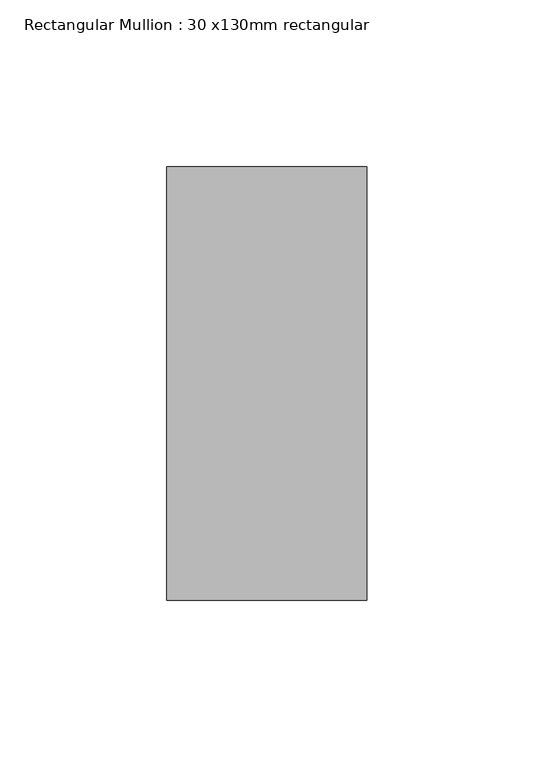
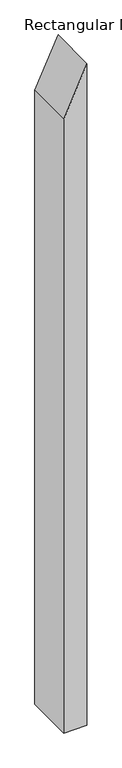
"""IFC4 building model written with IfcOpenShell, lengths in millimetres: member geometry, Rectangular Mullion : 30 x130mm rectangular."""

from ifc_helpers import new_model, si_unit, frame, origin, place, context, project, spatial, polyline, outline, extrude, source, transform, mapped, element, save


def rectangular_mullion_30_x130mm_rectangular_64ed2ee2(model_context):
    return source(origin(), model_context, "Body", "SweptSolid", [
        extrude(outline(polyline([(0.0, 0.0), (-131.3340636, -60.0), (-1817.7550261, -60.0), (-1817.7550261, 0.0), (0.0, 0.0)])), frame((0.0, -65.0, 0.0), z_axis=(0.0, 1.0, 0.0), x_axis=(0.0, 0.0, 1.0)), (0.0, 0.0, 1.0), 130.0),
    ])


if __name__ == "__main__":
    model = new_model("IFC4")
    model_context = context("Model", 3, world=origin())
    ifc_project = project(units=[si_unit("LENGTHUNIT", "METRE", prefix="MILLI")], contexts=[model_context])
    site = spatial("IfcSite", under=ifc_project)
    building = spatial("IfcBuilding", under=site)
    placement = place(None, origin())
    rectangular_mullion_30_x130mm_rectangular_shape = rectangular_mullion_30_x130mm_rectangular_64ed2ee2(model_context)
    element("IfcMember", 1, ObjectType="Rectangular Mullion : 30 x130mm rectangular", at=placement, inside=building, context=model_context, shape_type="MappedRepresentation", body=[
        mapped(rectangular_mullion_30_x130mm_rectangular_shape, transform((0.0, 0.0, 0.0), x_axis=(1.0, 0.0, 0.0), y_axis=(0.0, 1.0, 0.0), z_axis=(0.0, 0.0, 1.0))),
    ])
    save(model, "model.ifc")
